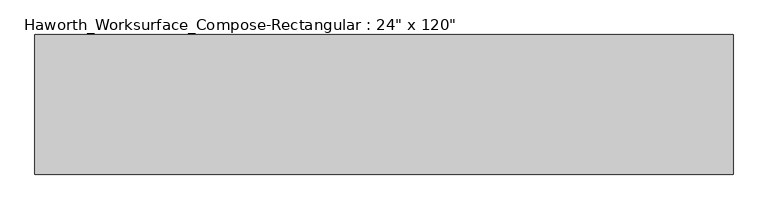
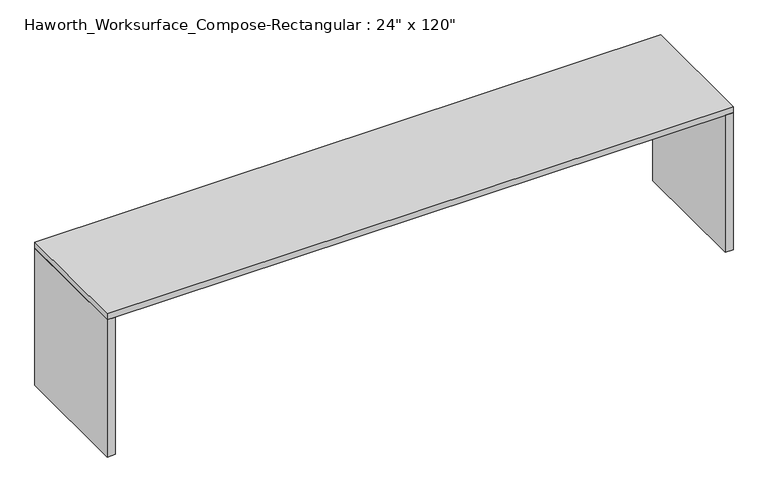
"""IFC4 building model written with IfcOpenShell, lengths in millimetres: furniture geometry."""

import ifcopenshell
import ifcopenshell.guid

model = None  # the IFC model being written
_history = None  # IfcOwnerHistory: only IFC2X3 demands one
_inside = {}  # id of a spatial element -> (the spatial element, [elements in it])
_under = {}  # id of a project, library or spatial element -> (it, [spatial elements below it])
_declared = {}  # id of a project -> (the project, [libraries it declares])
_typed = {}  # id of a type object -> (the type object, [elements of that type])
_made_of = {}  # id of a material, layer set ... -> (it, [elements and type objects made of it])


def new_model(schema):
    """Start an empty IFC model of exactly this schema.

    Asked for "IFC4X3", IfcOpenShell would pick the latest addendum, in which some entities
    have other attributes; the version numbers below select the first issue.
    IFC2X3 requires an IfcOwnerHistory on every rooted entity: one is made here for all.
    """
    global model, _history
    if schema == "IFC4X3":
        model = ifcopenshell.file(schema_version=(4, 3, 0, 0))
    else:
        model = ifcopenshell.file(schema=schema)
    _inside.clear()
    _under.clear()
    _declared.clear()
    _typed.clear()
    _made_of.clear()
    _history = None
    if model.schema == "IFC2X3":
        org = make("IfcOrganization", Name="unknown")
        user = make(
            "IfcPersonAndOrganization",
            ThePerson=make("IfcPerson", FamilyName="unknown"),
            TheOrganization=org,
        )
        app = make(
            "IfcApplication",
            ApplicationDeveloper=org,
            Version="unknown",
            ApplicationFullName="unknown",
            ApplicationIdentifier="unknown",
        )
        _history = make(
            "IfcOwnerHistory",
            OwningUser=user,
            OwningApplication=app,
            ChangeAction="ADDED",
            CreationDate=0,
        )
    return model


def make(cls, **values):
    """One entity of the class cls with the attributes given. An attribute that is None is left unset."""
    return model.create_entity(
        cls, **{name: value for name, value in values.items() if value is not None}
    )


def rooted(cls, **values):
    """An entity with a GlobalId (a new one), such as an element, a storey or a relation."""
    return make(cls, GlobalId=ifcopenshell.guid.new(), OwnerHistory=_history, **values)


def si_unit(unit_type, name, prefix=None):
    """IfcSIUnit, for example si_unit("LENGTHUNIT", "METRE", prefix="MILLI")."""
    return make("IfcSIUnit", UnitType=unit_type, Prefix=prefix, Name=name)


def assignment(units):
    """IfcUnitAssignment: the units of a project."""
    return None if units is None else make("IfcUnitAssignment", Units=units)


def point(xyz):
    """IfcCartesianPoint."""
    return None if xyz is None else make("IfcCartesianPoint", Coordinates=xyz)


def direction(xyz):
    """IfcDirection."""
    return None if xyz is None else make("IfcDirection", DirectionRatios=xyz)


def frame(location, z_axis=None, x_axis=None):
    """IfcAxis2Placement3D, a coordinate frame: its origin and axes. An axis left out is left unset."""
    return make(
        "IfcAxis2Placement3D",
        Location=point(location),
        Axis=direction(z_axis),
        RefDirection=direction(x_axis),
    )


def origin():
    """The frame at (0, 0, 0) with its axes left unset."""
    return frame((0.0, 0.0, 0.0))


def origin_with_axes():
    """The frame at (0, 0, 0) with the z axis (0, 0, 1) and the x axis (1, 0, 0) written out."""
    return frame((0.0, 0.0, 0.0), z_axis=(0.0, 0.0, 1.0), x_axis=(1.0, 0.0, 0.0))


def place(relative_to, where):
    """IfcLocalPlacement: puts the frame where relative to a parent placement (None: the world)."""
    return make(
        "IfcLocalPlacement", PlacementRelTo=relative_to, RelativePlacement=where
    )


def context(
    kind, dimensions, precision=None, world=None, true_north=None, identifier=None
):
    """IfcGeometricRepresentationContext, for example the 3D "Model" context."""
    return make(
        "IfcGeometricRepresentationContext",
        ContextIdentifier=identifier,
        ContextType=kind,
        CoordinateSpaceDimension=dimensions,
        Precision=precision,
        WorldCoordinateSystem=world,
        TrueNorth=true_north,
    )


def project(units=None, contexts=None):
    """IfcProject with its units and contexts."""
    return rooted(
        "IfcProject",
        Name="project",
        RepresentationContexts=contexts,
        UnitsInContext=assignment(units),
    )


def spatial(cls, under=None, at=None, **own):
    """A site, building, storey or space (cls), placed at a placement, below another one or the project."""
    s = rooted(cls, ObjectPlacement=at, **own)
    if under is not None:
        _under.setdefault(under.id(), (under, []))[1].append(s)
    return s


def polyline(points):
    """IfcPolyline through the points."""
    return make("IfcPolyline", Points=[point(p) for p in points])


def outline(outer, holes=None, kind="AREA"):
    """IfcArbitraryClosedProfileDef: a profile drawn as a closed curve; with holes, ...WithVoids."""
    if holes is None:
        return make("IfcArbitraryClosedProfileDef", ProfileType=kind, OuterCurve=outer)
    return make(
        "IfcArbitraryProfileDefWithVoids",
        ProfileType=kind,
        OuterCurve=outer,
        InnerCurves=holes,
    )


def extrude(swept, where, along, depth):
    """IfcExtrudedAreaSolid: the profile swept, set in the frame where, extruded along a direction by depth."""
    return make(
        "IfcExtrudedAreaSolid",
        SweptArea=swept,
        Position=where,
        ExtrudedDirection=direction(along),
        Depth=depth,
    )


def shape(context_of_items, identifier, shape_type, items):
    """IfcShapeRepresentation: the items that make up one representation, for example the "Body"."""
    return make(
        "IfcShapeRepresentation",
        ContextOfItems=context_of_items,
        RepresentationIdentifier=identifier,
        RepresentationType=shape_type,
        Items=items,
    )


def source(mapping_origin, context_of_items, identifier, shape_type, items):
    """IfcRepresentationMap: a shape defined once, which mapped items show again and again."""
    return make(
        "IfcRepresentationMap",
        MappingOrigin=mapping_origin,
        MappedRepresentation=shape(context_of_items, identifier, shape_type, items),
    )


def transform(
    local_origin,
    x_axis=None,
    y_axis=None,
    z_axis=None,
    scale=None,
    scale2=None,
    scale3=None,
    uniform=True,
):
    """IfcCartesianTransformationOperator3D, or its non-uniform kind. x_axis, y_axis, z_axis: its Axis1, 2, 3."""
    if uniform:
        return make(
            "IfcCartesianTransformationOperator3D",
            Axis1=direction(x_axis),
            Axis2=direction(y_axis),
            LocalOrigin=point(local_origin),
            Scale=scale,
            Axis3=direction(z_axis),
        )
    return make(
        "IfcCartesianTransformationOperator3DnonUniform",
        Axis1=direction(x_axis),
        Axis2=direction(y_axis),
        LocalOrigin=point(local_origin),
        Scale=scale,
        Axis3=direction(z_axis),
        Scale2=scale2,
        Scale3=scale3,
    )


def mapped(mapping_source, mapping_target):
    """IfcMappedItem: shows the shape of a source again, moved by a transform."""
    return make(
        "IfcMappedItem", MappingSource=mapping_source, MappingTarget=mapping_target
    )


def made_of(thing, what):
    """Note that an element or type object is made of a material, layer set ...; save() writes the relation."""
    if what is not None:
        _made_of.setdefault(what.id(), (what, []))[1].append(thing)
    return thing


def element(
    cls,
    number,
    at=None,
    inside=None,
    cuts=None,
    type_object=None,
    material=None,
    context=None,
    identifier="Body",
    shape_type=None,
    held_by="IfcProductDefinitionShape",
    body=None,
    shapes=None,
    **own,
):
    """One element of the class cls, such as IfcWall. Its Tag is "e" and its number.

    at: its placement. inside: the storey or other place that contains it. cuts: it is an
    opening in that element (IfcRelVoidsElement). A single representation is given by context,
    identifier, shape_type and body (its items); several are given by shapes. held_by: the class
    of the entity that holds the representations. save() writes the other relations.
    """
    e = rooted(cls, Tag="e%d" % number, ObjectPlacement=at, **own)
    if body is not None:
        shapes = [shape(context, identifier, shape_type, body)]
    if shapes is not None:
        e.Representation = make(held_by, Representations=shapes)
    if inside is not None:
        _inside.setdefault(inside.id(), (inside, []))[1].append(e)
    if cuts is not None:
        rooted(
            "IfcRelVoidsElement", RelatingBuildingElement=cuts, RelatedOpeningElement=e
        )
    if type_object is not None:
        _typed.setdefault(type_object.id(), (type_object, []))[1].append(e)
    return made_of(e, material)


def aggregate(whole, parts):
    """IfcRelAggregates: a whole, such as a stair, and the parts it consists of."""
    return rooted("IfcRelAggregates", RelatingObject=whole, RelatedObjects=parts)


def save(model, path):
    """Write the relations noted so far, then the file.

    IfcRelAggregates (storeys below a building ...), IfcRelContainedInSpatialStructure (elements
    in a storey), IfcRelDefinesByType, IfcRelAssociatesMaterial and IfcRelDeclares: one each for
    every whole, place, type object, material and project.
    """
    for whole, parts in _under.values():
        aggregate(whole, parts)
    for where, things in _inside.values():
        rooted(
            "IfcRelContainedInSpatialStructure",
            RelatedElements=things,
            RelatingStructure=where,
        )
    for kind, things in _typed.values():
        rooted("IfcRelDefinesByType", RelatedObjects=things, RelatingType=kind)
    for what, things in _made_of.values():
        rooted("IfcRelAssociatesMaterial", RelatedObjects=things, RelatingMaterial=what)
    for by, libraries in _declared.values():
        rooted("IfcRelDeclares", RelatingContext=by, RelatedDefinitions=libraries)
    model.write(path)


def furniture_c96ea380(model_context):
    return source(origin(), model_context, "Body", "SweptSolid", [
        extrude(outline(polyline([(1524.0, 304.8), (1524.0, -304.8), (1485.9, -304.8), (1485.9, 304.8), (1524.0, 304.8)])), origin_with_axes(), (0.0, 0.0, 1.0), 706.4375),
        extrude(outline(polyline([(-1485.9, 304.8), (-1485.9, -304.8), (-1524.0, -304.8), (-1524.0, 304.8), (-1485.9, 304.8)])), origin_with_axes(), (0.0, 0.0, 1.0), 706.4375),
        extrude(outline(polyline([(1524.0, 304.8), (1524.0, -304.8), (-1524.0, -304.8), (-1524.0, 304.8), (1524.0, 304.8)])), frame((0.0, 0.0, 706.4375), z_axis=(0.0, 0.0, 1.0), x_axis=(1.0, 0.0, 0.0)), (0.0, 0.0, 1.0), 30.1625),
    ])


if __name__ == "__main__":
    model = new_model("IFC4")
    model_context = context("Model", 3, world=origin())
    ifc_project = project(units=[si_unit("LENGTHUNIT", "METRE", prefix="MILLI")], contexts=[model_context])
    site = spatial("IfcSite", under=ifc_project)
    building = spatial("IfcBuilding", under=site)
    placement = place(None, origin())
    furniture_shape = furniture_c96ea380(model_context)
    element("IfcFurniture", 1, ObjectType="Haworth_Worksurface_Compose-Rectangular : 24\" x 120\"", at=placement, inside=building, context=model_context, shape_type="MappedRepresentation", body=[
        mapped(furniture_shape, transform((0.0, 0.0, 0.0), x_axis=(1.0, 0.0, 0.0), y_axis=(0.0, 1.0, 0.0), z_axis=(0.0, 0.0, 1.0))),
    ])
    save(model, "model.ifc")
